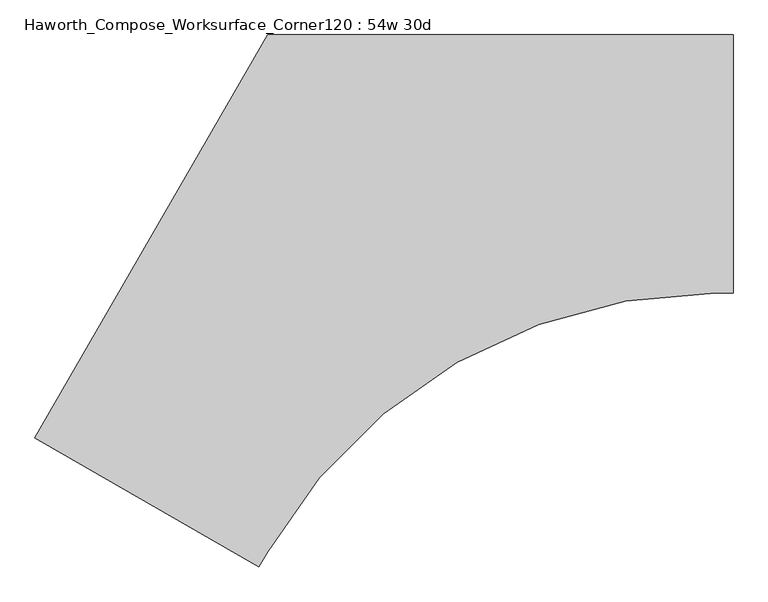
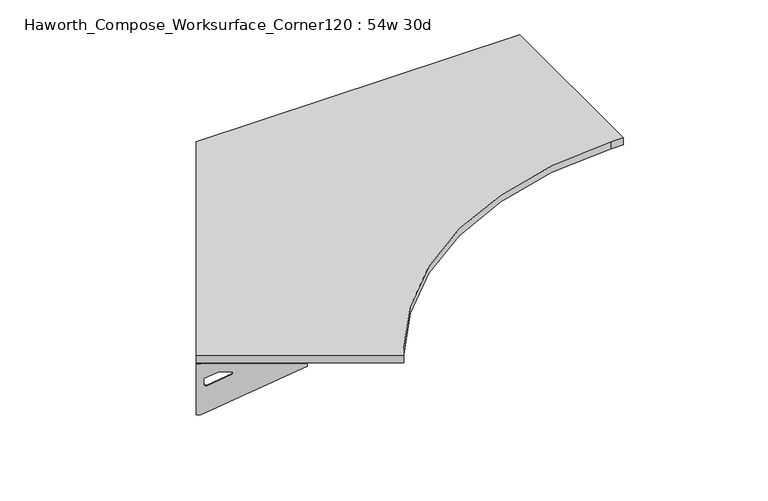
"""IFC4 building model written with IfcOpenShell, lengths in millimetres: furniture geometry, Haworth_Compose_Worksurface_Corner120 : 54w 30d."""

from ifc_helpers import new_model, si_unit, point, frame, frame_2d, origin, place, context, project, spatial, polyline, circle_curve, trimmed, segment, composite_curve, outline, extrude, source, transform, mapped, element, save
from ifc_brep_helpers import plane_surface, revolved_surface, advanced_brep


def haworth_compose_worksurface_corner120_54w_30d_5f520fa8(model_context):
    return source(origin(), model_context, "Body", "SolidModel", [
        advanced_brep(
        [(607.21875, 304.8, 473.86875), (607.21875, 288.925, 473.86875), (607.21875, -101.6, 690.1317568), (607.21875, -101.6, 702.46875), (607.21875, 288.925, 702.46875), (607.21875, 304.8, 702.46875), (607.21875, 221.490072, 664.36875), (607.21875, 177.8355284, 664.36875), (607.21875, 175.1564235, 654.7830539), (607.21875, 266.8776173, 603.9901439), (607.21875, 276.225, 609.5881969), (607.21875, 276.225, 633.0985246), (607.21875, 274.4730055, 635.9367776), (607.21875, 224.5663437, 663.5738425), (609.6, 304.8, 473.86875), (609.6, 304.8, 702.46875), (609.6, 288.925, 702.46875), (609.6, 288.925, 704.85), (609.6, -101.6, 704.85), (609.6, -101.6, 690.1317568), (609.6, 288.925, 473.86875), (609.6, 221.490072, 664.36875), (609.6, 224.5663437, 663.5738425), (609.6, 274.4730055, 635.9367776), (609.6, 276.225, 633.0985246), (609.6, 276.225, 609.5881969), (609.6, 266.8776173, 603.9901439), (609.6, 175.1564235, 654.7830539), (609.6, 177.8355284, 664.36875), (568.325, -101.6, 704.85), (568.325, -101.6, 702.46875), (568.325, 288.925, 702.46875), (568.325, 288.925, 704.85)],
        [
            (0, 1),
            (1, 2),
            (2, 3),
            (3, 4),
            (4, 5),
            (5, 0),
            (6, 7),
            (7, 8, circle_curve(frame((607.21875, 177.8355284, 659.2015106), z_axis=(1.0, 0.0, 0.0), x_axis=(0.0, -1.0, 0.0)), 5.1672394)),
            (8, 9),
            (9, 10, circle_curve(frame((607.21875, 269.875, 609.5881969), z_axis=(1.0, 0.0, 0.0), x_axis=(0.0, -1.0, 0.0)), 6.35)),
            (10, 11),
            (11, 12, circle_curve(frame((607.21875, 273.05, 633.0985246), z_axis=(1.0, 0.0, 0.0), x_axis=(0.0, -1.0, 0.0)), 3.175)),
            (12, 13),
            (13, 6, circle_curve(frame((607.21875, 221.490072, 658.01875), z_axis=(1.0, 0.0, 0.0), x_axis=(0.0, -1.0, 0.0)), 6.35)),
            (14, 15),
            (15, 16),
            (16, 17),
            (17, 18),
            (18, 19),
            (19, 20),
            (20, 14),
            (21, 22, circle_curve(frame((609.6, 221.490072, 658.01875), z_axis=(-1.0, 0.0, 0.0), x_axis=(0.0, -1.0, 0.0)), 6.35)),
            (22, 23),
            (23, 24, circle_curve(frame((609.6, 273.05, 633.0985246), z_axis=(-1.0, 0.0, 0.0), x_axis=(0.0, -1.0, 0.0)), 3.175)),
            (24, 25),
            (25, 26, circle_curve(frame((609.6, 269.875, 609.5881969), z_axis=(-1.0, 0.0, 0.0), x_axis=(0.0, -1.0, 0.0)), 6.35)),
            (26, 27),
            (27, 28, circle_curve(frame((609.6, 177.8355284, 659.2015106), z_axis=(-1.0, 0.0, 0.0), x_axis=(0.0, -1.0, 0.0)), 5.1672394)),
            (28, 21),
            (4, 16),
            (15, 5),
            (14, 0),
            (20, 1),
            (19, 2),
            (18, 29),
            (29, 30),
            (30, 3),
            (6, 21),
            (28, 7),
            (9, 26),
            (25, 10),
            (24, 11),
            (23, 12),
            (27, 8),
            (31, 4),
            (30, 31),
            (32, 29),
            (17, 32),
            (31, 32),
            (22, 13),
        ],
        [
            plane_surface(frame((607.21875, 304.8, 473.86875), z_axis=(-1.0, 0.0, 0.0), x_axis=(0.0, 1.0, 0.0))),
            plane_surface(frame((609.6, 304.8, 473.86875), z_axis=(1.0, 0.0, 0.0), x_axis=(0.0, -1.0, 0.0))),
            plane_surface(frame((609.6, -101.6, 702.46875), z_axis=(0.0, 0.0, 1.0), x_axis=(-1.0, 0.0, 0.0))),
            plane_surface(frame((609.6, 304.8, 702.46875), z_axis=(0.0, 1.0, 0.0), x_axis=(-1.0, 0.0, 0.0))),
            plane_surface(frame((609.6, 304.8, 473.86875), z_axis=(0.0, 0.0, -1.0), x_axis=(-1.0, 0.0, 0.0))),
            plane_surface(frame((609.6, 288.925, 473.86875), z_axis=(0.0, -0.4844522351345575, -0.8748177135112957), x_axis=(-1.0, 0.0, 0.0))),
            plane_surface(frame((609.6, -101.6, 690.1317568), z_axis=(0.0, -1.0, 0.0), x_axis=(-1.0, 0.0, 0.0))),
            plane_surface(frame((609.6, 221.490072, 664.36875), z_axis=(0.0, 0.0, -1.0), x_axis=(-1.0, 0.0, 0.0))),
            revolved_surface(polyline([(607.21875, 263.525, 609.5881969), (609.6, 263.525, 609.5881969)]), (609.6, 269.875, 609.5881969), (-1.0, 0.0, 0.0)),
            plane_surface(frame((609.6, 276.225, 609.5881969), z_axis=(0.0, -1.0, 0.0), x_axis=(-1.0, 0.0, 0.0))),
            revolved_surface(polyline([(607.21875, 269.875, 633.0985246), (609.6, 269.875, 633.0985246)]), (609.6, 273.05, 633.0985246), (-1.0, 0.0, 0.0)),
            revolved_surface(polyline([(607.21875, 172.668289, 659.2015106), (609.6, 172.668289, 659.2015106)]), (609.6, 177.8355284, 659.2015106), (-1.0, 0.0, 0.0)),
            plane_surface(frame((609.6, 288.925, 702.46875), z_axis=(0.0, 0.0, -1.0), x_axis=(-1.0, 0.0, 0.0))),
            plane_surface(frame((609.6, 288.925, 704.85), z_axis=(0.0, 0.0, 1.0), x_axis=(1.0, 0.0, 0.0))),
            plane_surface(frame((568.325, 288.925, 704.85), z_axis=(0.0, 1.0, 0.0), x_axis=(0.0, 0.0, -1.0))),
            plane_surface(frame((568.325, -101.6, 704.85), z_axis=(-1.0, 0.0, 0.0), x_axis=(0.0, 0.0, -1.0))),
            plane_surface(frame((609.6, 175.1564235, 654.7830539), z_axis=(0.0, 0.4844522351341526, 0.8748177135115199), x_axis=(-1.0, 0.0, 0.0))),
            plane_surface(frame((609.6, 274.4730055, 635.9367776), z_axis=(0.0, -0.48445223513456226, -0.874817713511293), x_axis=(-1.0, 0.0, 0.0))),
            revolved_surface(polyline([(607.21875, 215.140072, 658.01875), (609.6, 215.140072, 658.01875)]), (609.6, 221.490072, 658.01875), (-1.0, 0.0, 0.0)),
        ],
        [
            (0, [[1, 2, 3, 4, 5, 6], [7, 8, 9, 10, 11, 12, 13, 14]]),
            (1, [[15, 16, 17, 18, 19, 20, 21], [22, 23, 24, 25, 26, 27, 28, 29]]),
            (2, [[-5, 30, -16, 31]]),
            (3, [[-31, -15, 32, -6]]),
            (4, [[-32, -21, 33, -1]]),
            (5, [[-33, -20, 34, -2]]),
            (6, [[-34, -19, 35, 36, 37, -3]]),
            (7, [[38, -29, 39, -7]]),
            (8, [[40, -26, 41, -10]]),
            (9, [[-41, -25, 42, -11]]),
            (10, [[-42, -24, 43, -12]]),
            (11, [[-39, -28, 44, -8]]),
            (12, [[45, -4, -37, 46]]),
            (13, [[47, -35, -18, 48]]),
            (14, [[-17, -30, -45, 49, -48]]),
            (15, [[-36, -47, -49, -46]]),
            (16, [[-44, -27, -40, -9]]),
            (17, [[-43, -23, 50, -13]]),
            (18, [[-50, -22, -38, -14]]),
        ],
    ),
        advanced_brep(
        [(-1446.609375, -880.9782208, 473.86875), (-1446.609375, -880.9782208, 702.46875), (-1432.8612217, -888.9157208, 702.46875), (-1094.6566509, -1084.1782208, 702.46875), (-1094.6566509, -1084.1782208, 690.1317568), (-1432.8612217, -888.9157208, 473.86875), (-1374.460861, -922.6331848, 664.36875), (-1377.1249904, -921.095049, 663.5738425), (-1420.3454274, -896.1417181, 635.9367776), (-1421.8626991, -895.2657208, 633.0985246), (-1421.8626991, -895.2657208, 609.5881969), (-1413.7676282, -899.9394122, 603.9901439), (-1334.3347443, -945.8000091, 654.7830539), (-1336.6549172, -944.4604566, 664.36875), (-1447.8, -883.0404438, 473.86875), (-1434.0518467, -890.9779438, 473.86875), (-1095.8472759, -1086.2404438, 690.1317568), (-1095.8472759, -1086.2404438, 704.85), (-1434.0518467, -890.9779438, 704.85), (-1434.0518467, -890.9779438, 702.46875), (-1447.8, -883.0404438, 702.46875), (-1375.651486, -924.6954078, 664.36875), (-1337.8455422, -946.5226796, 664.36875), (-1335.5253693, -947.8622321, 654.7830539), (-1414.9582532, -902.0016352, 603.9901439), (-1423.0533241, -897.3279438, 609.5881969), (-1423.0533241, -897.3279438, 633.0985246), (-1421.5360524, -898.2039411, 635.9367776), (-1378.3156154, -923.157272, 663.5738425), (-1075.2097759, -1050.4952453, 702.46875), (-1075.2097759, -1050.4952453, 704.85), (-1413.4143467, -855.2327453, 702.46875), (-1413.4143467, -855.2327453, 704.85)],
        [
            (0, 1),
            (1, 2),
            (2, 3),
            (3, 4),
            (4, 5),
            (5, 0),
            (6, 7, circle_curve(frame((-1374.460861, -922.6331848, 658.01875), z_axis=(-0.5000000000000026, -0.8660254037844374, 0.0), x_axis=(0.8660254037844372, -0.5000000000000024, 0.0)), 6.35)),
            (7, 8),
            (8, 9, circle_curve(frame((-1419.1130684, -896.8532208, 633.0985246), z_axis=(-0.5000000000000026, -0.8660254037844374, 0.0), x_axis=(0.8660254037844372, -0.5000000000000024, 0.0)), 3.175)),
            (9, 10),
            (10, 11, circle_curve(frame((-1416.3634378, -898.4407208, 609.5881969), z_axis=(-0.5000000000000026, -0.8660254037844374, 0.0), x_axis=(0.8660254037844372, -0.5000000000000024, 0.0)), 6.35)),
            (11, 12),
            (12, 13, circle_curve(frame((-1336.6549172, -944.4604566, 659.2015106), z_axis=(-0.5000000000000026, -0.8660254037844374, 0.0), x_axis=(0.8660254037844372, -0.5000000000000024, 0.0)), 5.1672394)),
            (13, 6),
            (14, 15),
            (15, 16),
            (16, 17),
            (17, 18),
            (18, 19),
            (19, 20),
            (20, 14),
            (21, 22),
            (22, 23, circle_curve(frame((-1337.8455422, -946.5226796, 659.2015106), z_axis=(0.5000000000000026, 0.8660254037844374, 0.0), x_axis=(0.8660254037844372, -0.5000000000000024, 0.0)), 5.1672394)),
            (23, 24),
            (24, 25, circle_curve(frame((-1417.5540628, -900.5029438, 609.5881969), z_axis=(0.5000000000000026, 0.8660254037844374, 0.0), x_axis=(0.8660254037844372, -0.5000000000000024, 0.0)), 6.35)),
            (25, 26),
            (26, 27, circle_curve(frame((-1420.3036934, -898.9154438, 633.0985246), z_axis=(0.5000000000000026, 0.8660254037844374, 0.0), x_axis=(0.8660254037844372, -0.5000000000000024, 0.0)), 3.175)),
            (27, 28),
            (28, 21, circle_curve(frame((-1375.651486, -924.6954078, 658.01875), z_axis=(0.5000000000000026, 0.8660254037844374, 0.0), x_axis=(0.8660254037844372, -0.5000000000000024, 0.0)), 6.35)),
            (1, 20),
            (19, 2),
            (0, 14),
            (5, 15),
            (4, 16),
            (3, 29),
            (29, 30),
            (30, 17),
            (13, 22),
            (21, 6),
            (10, 25),
            (24, 11),
            (9, 26),
            (8, 27),
            (12, 23),
            (31, 29),
            (2, 31),
            (32, 18),
            (30, 32),
            (32, 31),
            (7, 28),
        ],
        [
            plane_surface(frame((-1446.609375, -880.9782208, 473.86875), z_axis=(0.5000000000000026, 0.8660254037844373, 0.0), x_axis=(-0.8660254037844373, 0.5000000000000026, 0.0))),
            plane_surface(frame((-1447.8, -883.0404438, 473.86875), z_axis=(-0.5000000000000026, -0.8660254037844373, 0.0), x_axis=(0.8660254037844373, -0.5000000000000026, 0.0))),
            plane_surface(frame((-1095.8472759, -1086.2404438, 702.46875), z_axis=(0.0, 0.0, 1.0), x_axis=(0.5000000000000011, 0.866025403784438, 0.0))),
            plane_surface(frame((-1447.8, -883.0404438, 702.46875), z_axis=(-0.866025403784438, 0.5000000000000011, 0.0), x_axis=(0.5000000000000011, 0.866025403784438, 0.0))),
            plane_surface(frame((-1447.8, -883.0404438, 473.86875), z_axis=(0.0, 0.0, -1.0), x_axis=(0.5000000000000011, 0.866025403784438, 0.0))),
            plane_surface(frame((-1434.0518467, -890.9779438, 473.86875), z_axis=(0.41954794254667943, -0.24222611756727808, -0.8748177135112957), x_axis=(0.5000000000000011, 0.866025403784438, 0.0))),
            plane_surface(frame((-1095.8472759, -1086.2404438, 690.1317568), z_axis=(0.866025403784438, -0.5000000000000011, 0.0), x_axis=(0.5000000000000011, 0.866025403784438, 0.0))),
            plane_surface(frame((-1375.651486, -924.6954078, 664.36875), z_axis=(0.0, 0.0, -1.0), x_axis=(0.5000000000000011, 0.866025403784438, 0.0))),
            revolved_surface(polyline([(-1410.864176479327, -901.615720795734, 609.5881969), (-1412.0548014983856, -903.6779438215062, 609.5881969)]), (-1417.5540628, -900.5029438, 609.5881969), (0.5000000000000024, 0.8660254037844372, 0.0)),
            plane_surface(frame((-1423.0533241, -897.3279438, 609.5881969), z_axis=(0.866025403784438, -0.5000000000000011, 0.0), x_axis=(0.5000000000000011, 0.866025403784438, 0.0))),
            revolved_surface(polyline([(-1416.36343773985, -898.4407208018096, 633.0985246), (-1417.5540627864536, -900.5029438752912, 633.0985246)]), (-1420.3036934, -898.9154438, 633.0985246), (0.5000000000000024, 0.8660254037844372, 0.0)),
            revolved_surface(polyline([(-1332.17995660903, -947.0440763018096, 659.2015106), (-1333.3705816345157, -949.1062993387139, 659.2015106)]), (-1337.8455422, -946.5226796, 659.2015106), (0.5000000000000024, 0.8660254037844372, 0.0)),
            plane_surface(frame((-1434.0518467, -890.9779438, 702.46875), z_axis=(0.0, 0.0, -1.0), x_axis=(0.5000000000000011, 0.866025403784438, 0.0))),
            plane_surface(frame((-1434.0518467, -890.9779438, 704.85), z_axis=(0.0, 0.0, 1.0), x_axis=(-0.5000000000000011, -0.866025403784438, 0.0))),
            plane_surface(frame((-1413.4143467, -855.2327453, 704.85), z_axis=(-0.866025403784438, 0.5000000000000011, 0.0), x_axis=(0.0, 0.0, -1.0))),
            plane_surface(frame((-1075.2097759, -1050.4952453, 704.85), z_axis=(0.5000000000000011, 0.866025403784438, 0.0), x_axis=(0.0, 0.0, -1.0))),
            plane_surface(frame((-1335.5253693, -947.8622321, 654.7830539), z_axis=(-0.41954794254632877, 0.24222611756707563, 0.87481771351152), x_axis=(0.5000000000000011, 0.866025403784438, 0.0))),
            plane_surface(frame((-1421.5360524, -898.2039411, 635.9367776), z_axis=(0.4195479425466836, -0.24222611756728046, -0.874817713511293), x_axis=(0.5000000000000011, 0.866025403784438, 0.0))),
            revolved_surface(polyline([(-1368.9615996828345, -925.8081848018096, 658.01875), (-1370.1522246973336, -927.8704078196846, 658.01875)]), (-1375.651486, -924.6954078, 658.01875), (0.5000000000000024, 0.8660254037844372, 0.0)),
        ],
        [
            (0, [[1, 2, 3, 4, 5, 6], [7, 8, 9, 10, 11, 12, 13, 14]]),
            (1, [[15, 16, 17, 18, 19, 20, 21], [22, 23, 24, 25, 26, 27, 28, 29]]),
            (2, [[30, -20, 31, -2]]),
            (3, [[-1, 32, -21, -30]]),
            (4, [[-6, 33, -15, -32]]),
            (5, [[-5, 34, -16, -33]]),
            (6, [[-4, 35, 36, 37, -17, -34]]),
            (7, [[-14, 38, -22, 39]]),
            (8, [[-11, 40, -25, 41]]),
            (9, [[-10, 42, -26, -40]]),
            (10, [[-9, 43, -27, -42]]),
            (11, [[-13, 44, -23, -38]]),
            (12, [[45, -35, -3, 46]]),
            (13, [[47, -18, -37, 48]]),
            (14, [[-47, 49, -46, -31, -19]]),
            (15, [[-45, -49, -48, -36]]),
            (16, [[-12, -41, -24, -44]]),
            (17, [[-8, 50, -28, -43]]),
            (18, [[-7, -39, -29, -50]]),
        ],
    ),
        extrude(outline(composite_curve([segment(polyline([(-1447.8, -883.0404438), (-762.0, 304.8), (609.6, 304.8), (609.6, -457.2), (557.8227154, -457.2)]), True, "CONTINUOUS"), segment(trimmed(circle_curve(frame_2d((557.8227154, -1981.2)), 1524.0), [point((557.8227154, -457.2))], [point((-762.0, -1219.2))], True, "CARTESIAN"), True, "CONTINUOUS"), segment(polyline([(-762.0, -1219.2), (-787.8886423, -1264.0404438), (-1447.8, -883.0404438)]), True, "CONTINUOUS")], self_intersect=False)), frame((0.0, 0.0, 706.4375), z_axis=(0.0, 0.0, 1.0), x_axis=(1.0, 0.0, 0.0)), (0.0, 0.0, 1.0), 30.1625),
    ])


if __name__ == "__main__":
    model = new_model("IFC4")
    model_context = context("Model", 3, world=origin())
    ifc_project = project(units=[si_unit("LENGTHUNIT", "METRE", prefix="MILLI")], contexts=[model_context])
    site = spatial("IfcSite", under=ifc_project)
    building = spatial("IfcBuilding", under=site)
    placement = place(None, origin())
    haworth_compose_worksurface_corner120_54w_30d_shape = haworth_compose_worksurface_corner120_54w_30d_5f520fa8(model_context)
    element("IfcFurniture", 1, ObjectType="Haworth_Compose_Worksurface_Corner120 : 54w 30d", at=placement, inside=building, context=model_context, shape_type="MappedRepresentation", body=[
        mapped(haworth_compose_worksurface_corner120_54w_30d_shape, transform((0.0, 0.0, 0.0), x_axis=(1.0, 0.0, 0.0), y_axis=(0.0, 1.0, 0.0), z_axis=(0.0, 0.0, 1.0))),
    ])
    save(model, "model.ifc")
